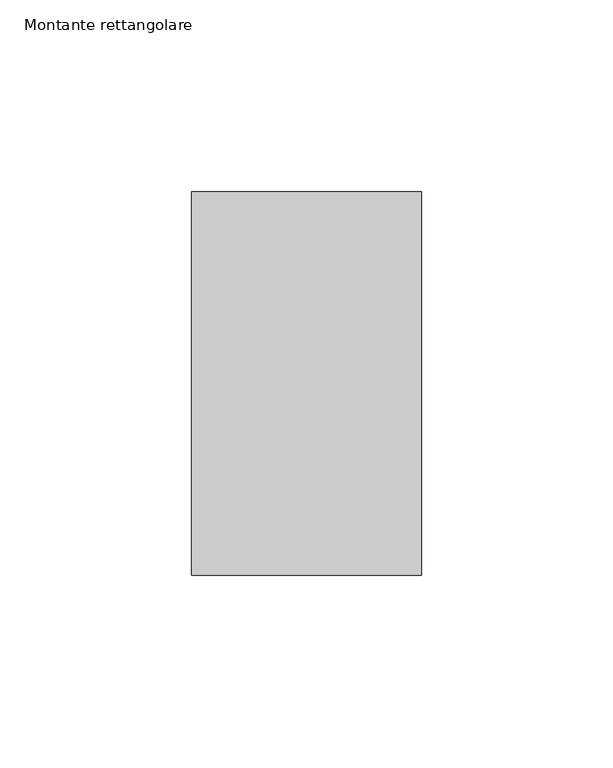
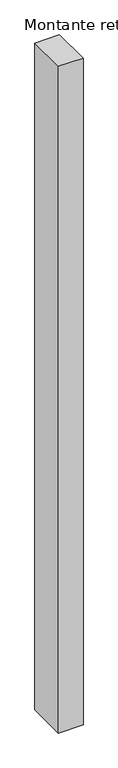
"""IFC4 building model written with IfcOpenShell, lengths in millimetres: member geometry, Montante rettangolare."""

from ifc_helpers import new_model, si_unit, frame, origin, place, context, project, spatial, polyline, outline, extrude, source, transform, mapped, element, save


def montante_rettangolare_ac1b2d66(model_context):
    return source(origin(), model_context, "Body", "SweptSolid", [
        extrude(outline(polyline([(30.0, 50.0), (30.0, -50.0), (-30.0, -50.0), (-30.0, 50.0), (30.0, 50.0)])), frame((0.0, 0.0, -1725.0), z_axis=(0.0, 0.0, 1.0), x_axis=(1.0, 0.0, 0.0)), (0.0, 0.0, 1.0), 1725.0),
    ])


if __name__ == "__main__":
    model = new_model("IFC4")
    model_context = context("Model", 3, world=origin())
    ifc_project = project(units=[si_unit("LENGTHUNIT", "METRE", prefix="MILLI")], contexts=[model_context])
    site = spatial("IfcSite", under=ifc_project)
    building = spatial("IfcBuilding", under=site)
    placement = place(None, origin())
    montante_rettangolare_shape = montante_rettangolare_ac1b2d66(model_context)
    element("IfcMember", 1, ObjectType="Montante rettangolare", at=placement, inside=building, context=model_context, shape_type="MappedRepresentation", body=[
        mapped(montante_rettangolare_shape, transform((0.0, 0.0, 0.0), x_axis=(1.0, 0.0, 0.0), y_axis=(0.0, 1.0, 0.0), z_axis=(0.0, 0.0, 1.0))),
    ])
    save(model, "model.ifc")
